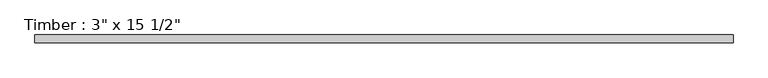
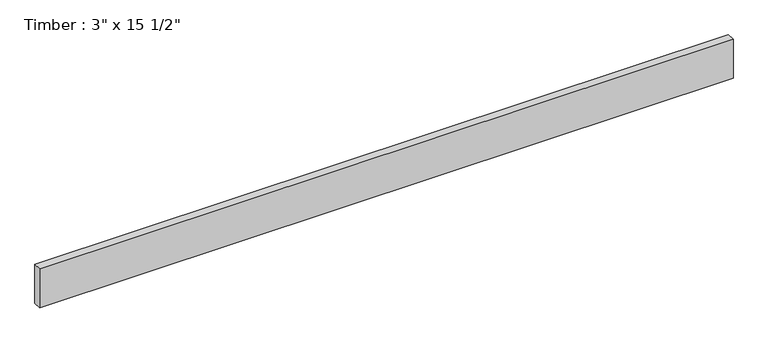
"""IFC4 building model written with IfcOpenShell, lengths in millimetres: beam geometry."""

from ifc_helpers import new_model, si_unit, frame, origin, place, context, project, spatial, polyline, outline, extrude, source, transform, mapped, element, save


def beam_55b9412d(model_context):
    return source(origin(), model_context, "Body", "SweptSolid", [
        extrude(outline(polyline([(3315.9255821, 38.1), (3315.9255821, -38.1), (-3315.9255821, -38.1), (-3315.9255821, 38.1), (3315.9255821, 38.1)])), frame((0.0, 0.0, -196.85), z_axis=(0.0, 0.0, 1.0), x_axis=(1.0, 0.0, 0.0)), (0.0, 0.0, 1.0), 393.7),
    ])


if __name__ == "__main__":
    model = new_model("IFC4")
    model_context = context("Model", 3, world=origin())
    ifc_project = project(units=[si_unit("LENGTHUNIT", "METRE", prefix="MILLI")], contexts=[model_context])
    site = spatial("IfcSite", under=ifc_project)
    building = spatial("IfcBuilding", under=site)
    placement = place(None, origin())
    beam_shape = beam_55b9412d(model_context)
    element("IfcBeam", 1, ObjectType="Timber : 3\" x 15 1/2\"", at=placement, inside=building, context=model_context, shape_type="MappedRepresentation", body=[
        mapped(beam_shape, transform((0.0, 0.0, 0.0), x_axis=(1.0, 0.0, 0.0), y_axis=(0.0, 1.0, 0.0), z_axis=(0.0, 0.0, 1.0))),
    ])
    save(model, "model.ifc")
